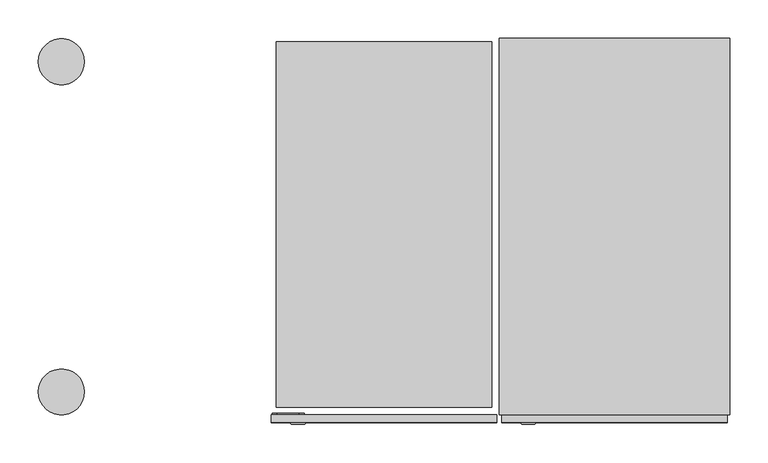
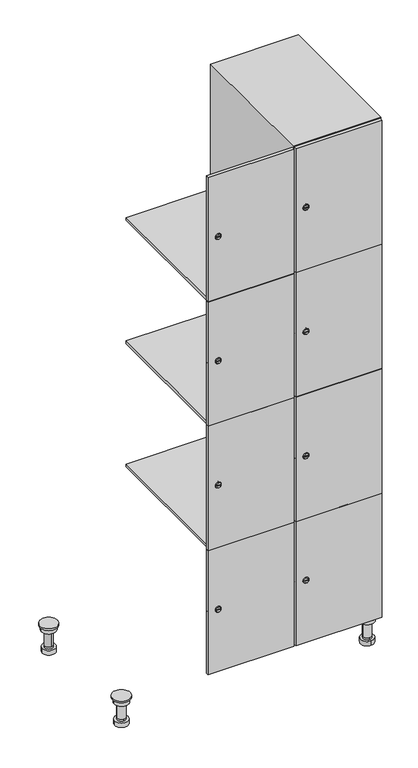
"""IFC4 building model written with IfcOpenShell, lengths in millimetres: furniture geometry."""

from ifc_helpers import new_model, si_unit, point, frame, frame_2d, origin, place, context, project, spatial, polyline, circle_curve, trimmed, segment, composite_curve, outline, extrude, faceted_brep, source, transform, mapped, element, save
from ifc_brep_helpers import plane_surface, cylinder_surface, revolved_surface, advanced_brep


def furniture_11c3b5e5(model_context):
    return source(origin(), model_context, "Body", "SolidModel", [
        advanced_brep(
        [(670.0, -201.0, 22.0), (670.0, -201.5, 16.0), (670.0, -228.5, 16.0), (670.0, -229.0, 22.0), (656.0, -215.0, 22.0), (684.0, -215.0, 22.0), (670.0, -192.5, 16.0), (670.0, -237.5, 16.0), (670.0, -192.5, 0.0), (670.0, -237.5, 0.0), (684.0, -215.0, 78.0), (656.0, -215.0, 78.0), (695.0, -215.0, 78.0), (645.0, -215.0, 78.0), (700.0, -215.0, 94.0), (640.0, -215.0, 94.0), (645.0, -215.0, 94.0), (695.0, -215.0, 94.0), (700.0, -215.0, 100.0), (640.0, -215.0, 100.0)],
        [
            (0, 1),
            (1, 2, circle_curve(frame((670.0, -215.0, 16.0), z_axis=(0.0, 0.0, 1.0), x_axis=(0.0, -1.0, 0.0)), 13.5)),
            (2, 3),
            (3, 4, circle_curve(frame((670.0, -215.0, 22.0), z_axis=(0.0, 0.0, -1.0), x_axis=(0.0, -1.0, 0.0)), 14.0)),
            (4, 0, circle_curve(frame((670.0, -215.0, 22.0), z_axis=(0.0, 0.0, -1.0), x_axis=(0.0, -1.0, 0.0)), 14.0)),
            (0, 5, circle_curve(frame((670.0, -215.0, 22.0), z_axis=(0.0, 0.0, -1.0), x_axis=(0.0, 1.0, 0.0)), 14.0)),
            (5, 3, circle_curve(frame((670.0, -215.0, 22.0), z_axis=(0.0, 0.0, -1.0), x_axis=(0.0, 1.0, 0.0)), 14.0)),
            (2, 1, circle_curve(frame((670.0, -215.0, 16.0), z_axis=(0.0, 0.0, 1.0), x_axis=(0.0, 1.0, 0.0)), 13.5)),
            (6, 7, circle_curve(frame((670.0, -215.0, 16.0), z_axis=(0.0, 0.0, 1.0), x_axis=(0.0, -1.0, 0.0)), 22.5)),
            (7, 6, circle_curve(frame((670.0, -215.0, 16.0), z_axis=(0.0, 0.0, 1.0), x_axis=(0.0, -1.0, 0.0)), 22.5)),
            (8, 9, circle_curve(frame((670.0, -215.0, 0.0), z_axis=(0.0, 0.0, -1.0), x_axis=(0.0, -1.0, 0.0)), 22.5)),
            (9, 8, circle_curve(frame((670.0, -215.0, 0.0), z_axis=(0.0, 0.0, -1.0), x_axis=(0.0, -1.0, 0.0)), 22.5)),
            (6, 8),
            (9, 7),
            (5, 10),
            (10, 11, circle_curve(frame((670.0, -215.0, 78.0), z_axis=(0.0, 0.0, -1.0), x_axis=(-1.0, 0.0, 0.0)), 14.0)),
            (11, 4),
            (11, 10, circle_curve(frame((670.0, -215.0, 78.0), z_axis=(0.0, 0.0, -1.0), x_axis=(-1.0, 0.0, 0.0)), 14.0)),
            (12, 13, circle_curve(frame((670.0, -215.0, 78.0), z_axis=(0.0, 0.0, -1.0), x_axis=(-1.0, 0.0, 0.0)), 25.0)),
            (13, 12, circle_curve(frame((670.0, -215.0, 78.0), z_axis=(0.0, 0.0, -1.0), x_axis=(-1.0, 0.0, 0.0)), 25.0)),
            (14, 15, circle_curve(frame((670.0, -215.0, 94.0), z_axis=(0.0, 0.0, -1.0), x_axis=(-1.0, 0.0, 0.0)), 30.0)),
            (15, 14, circle_curve(frame((670.0, -215.0, 94.0), z_axis=(0.0, 0.0, -1.0), x_axis=(-1.0, 0.0, 0.0)), 30.0)),
            (16, 17, circle_curve(frame((670.0, -215.0, 94.0), z_axis=(0.0, 0.0, 1.0), x_axis=(-1.0, 0.0, 0.0)), 25.0)),
            (17, 16, circle_curve(frame((670.0, -215.0, 94.0), z_axis=(0.0, 0.0, 1.0), x_axis=(-1.0, 0.0, 0.0)), 25.0)),
            (18, 19, circle_curve(frame((670.0, -215.0, 100.0), z_axis=(0.0, 0.0, 1.0), x_axis=(-1.0, 0.0, 0.0)), 30.0)),
            (19, 18, circle_curve(frame((670.0, -215.0, 100.0), z_axis=(0.0, 0.0, 1.0), x_axis=(-1.0, 0.0, 0.0)), 30.0)),
            (14, 18),
            (19, 15),
            (12, 17),
            (16, 13),
        ],
        [
            revolved_surface(polyline([(670.0, -201.5, 16.0), (670.0, -201.0, 22.0)]), (670.0, -215.0, -146.0), (0.0, 0.0, 1.0)),
            plane_surface(frame((670.0, 0.0, 16.0), z_axis=(0.0, 0.0, 1.0), x_axis=(0.0, -1.0, 0.0))),
            plane_surface(frame((670.0, 0.0, 0.0), z_axis=(0.0, 0.0, -1.0), x_axis=(0.0, -1.0, 0.0))),
            cylinder_surface(frame((670.0, -215.0, 16.0), z_axis=(0.0, 0.0, 1.0), x_axis=(0.0, -1.0, 0.0)), 22.5),
            cylinder_surface(frame((670.0, -215.0, 22.0), z_axis=(0.0, 0.0, -1.0), x_axis=(-1.0, 0.0, 0.0)), 14.0),
            plane_surface(frame((670.0, 0.0, 78.0), z_axis=(0.0, 0.0, -1.0), x_axis=(0.0, -1.0, 0.0))),
            plane_surface(frame((670.0, 0.0, 94.0), z_axis=(0.0, 0.0, -1.0), x_axis=(0.0, -1.0, 0.0))),
            plane_surface(frame((670.0, 0.0, 100.0), z_axis=(0.0, 0.0, 1.0), x_axis=(0.0, -1.0, 0.0))),
            cylinder_surface(frame((670.0, -215.0, 94.0), z_axis=(0.0, 0.0, -1.0), x_axis=(-1.0, 0.0, 0.0)), 30.0),
            cylinder_surface(frame((670.0, -215.0, 78.0), z_axis=(0.0, 0.0, -1.0), x_axis=(-1.0, 0.0, 0.0)), 25.0),
        ],
        [
            (0, [[1, 2, 3, 4, 5]]),
            (0, [[-1, 6, 7, -3, 8]]),
            (1, [[9, 10], [-2, -8]]),
            (2, [[11, 12]]),
            (3, [[-9, 13, -12, 14]]),
            (3, [[-10, -14, -11, -13]]),
            (4, [[15, 16, 17, -4, -7]]),
            (4, [[-15, -6, -5, -17, 18]]),
            (5, [[19, 20], [-16, -18]]),
            (6, [[21, 22], [23, 24]]),
            (7, [[25, 26]]),
            (8, [[-21, 27, -26, 28]]),
            (8, [[-22, -28, -25, -27]]),
            (9, [[-19, 29, -23, 30]]),
            (9, [[-20, -30, -24, -29]]),
        ],
    ),
        advanced_brep(
        [(-170.0, -201.0, 22.0), (-170.0, -201.5, 16.0), (-170.0, -228.5, 16.0), (-170.0, -229.0, 22.0), (-184.0, -215.0, 22.0), (-156.0, -215.0, 22.0), (-147.5, -215.0, 0.0), (-192.5, -215.0, 0.0), (-147.5, -215.0, 16.0), (-192.5, -215.0, 16.0), (-156.0, -215.0, 78.0), (-184.0, -215.0, 78.0), (-145.0, -215.0, 78.0), (-195.0, -215.0, 78.0), (-140.0, -215.0, 94.0), (-200.0, -215.0, 94.0), (-195.0, -215.0, 94.0), (-145.0, -215.0, 94.0), (-140.0, -215.0, 100.0), (-200.0, -215.0, 100.0)],
        [
            (0, 1),
            (1, 2, circle_curve(frame((-170.0, -215.0, 16.0), z_axis=(0.0, 0.0, 1.0), x_axis=(0.0, -1.0, 0.0)), 13.5)),
            (2, 3),
            (3, 4, circle_curve(frame((-170.0, -215.0, 22.0), z_axis=(0.0, 0.0, -1.0), x_axis=(0.0, -1.0, 0.0)), 14.0)),
            (4, 0, circle_curve(frame((-170.0, -215.0, 22.0), z_axis=(0.0, 0.0, -1.0), x_axis=(0.0, -1.0, 0.0)), 14.0)),
            (0, 5, circle_curve(frame((-170.0, -215.0, 22.0), z_axis=(0.0, 0.0, -1.0), x_axis=(0.0, 1.0, 0.0)), 14.0)),
            (5, 3, circle_curve(frame((-170.0, -215.0, 22.0), z_axis=(0.0, 0.0, -1.0), x_axis=(0.0, 1.0, 0.0)), 14.0)),
            (2, 1, circle_curve(frame((-170.0, -215.0, 16.0), z_axis=(0.0, 0.0, 1.0), x_axis=(0.0, 1.0, 0.0)), 13.5)),
            (6, 7, circle_curve(frame((-170.0, -215.0, 0.0), z_axis=(0.0, 0.0, -1.0), x_axis=(-1.0, 0.0, 0.0)), 22.5)),
            (7, 6, circle_curve(frame((-170.0, -215.0, 0.0), z_axis=(0.0, 0.0, -1.0), x_axis=(-1.0, 0.0, 0.0)), 22.5)),
            (8, 9, circle_curve(frame((-170.0, -215.0, 16.0), z_axis=(0.0, 0.0, 1.0), x_axis=(-1.0, 0.0, 0.0)), 22.5)),
            (9, 8, circle_curve(frame((-170.0, -215.0, 16.0), z_axis=(0.0, 0.0, 1.0), x_axis=(-1.0, 0.0, 0.0)), 22.5)),
            (6, 8),
            (9, 7),
            (5, 10),
            (10, 11, circle_curve(frame((-170.0, -215.0, 78.0), z_axis=(0.0, 0.0, -1.0), x_axis=(-1.0, 0.0, 0.0)), 14.0)),
            (11, 4),
            (11, 10, circle_curve(frame((-170.0, -215.0, 78.0), z_axis=(0.0, 0.0, -1.0), x_axis=(-1.0, 0.0, 0.0)), 14.0)),
            (12, 13, circle_curve(frame((-170.0, -215.0, 78.0), z_axis=(0.0, 0.0, -1.0), x_axis=(-1.0, 0.0, 0.0)), 25.0)),
            (13, 12, circle_curve(frame((-170.0, -215.0, 78.0), z_axis=(0.0, 0.0, -1.0), x_axis=(-1.0, 0.0, 0.0)), 25.0)),
            (14, 15, circle_curve(frame((-170.0, -215.0, 94.0), z_axis=(0.0, 0.0, -1.0), x_axis=(-1.0, 0.0, 0.0)), 30.0)),
            (15, 14, circle_curve(frame((-170.0, -215.0, 94.0), z_axis=(0.0, 0.0, -1.0), x_axis=(-1.0, 0.0, 0.0)), 30.0)),
            (16, 17, circle_curve(frame((-170.0, -215.0, 94.0), z_axis=(0.0, 0.0, 1.0), x_axis=(-1.0, 0.0, 0.0)), 25.0)),
            (17, 16, circle_curve(frame((-170.0, -215.0, 94.0), z_axis=(0.0, 0.0, 1.0), x_axis=(-1.0, 0.0, 0.0)), 25.0)),
            (18, 19, circle_curve(frame((-170.0, -215.0, 100.0), z_axis=(0.0, 0.0, 1.0), x_axis=(-1.0, 0.0, 0.0)), 30.0)),
            (19, 18, circle_curve(frame((-170.0, -215.0, 100.0), z_axis=(0.0, 0.0, 1.0), x_axis=(-1.0, 0.0, 0.0)), 30.0)),
            (14, 18),
            (19, 15),
            (12, 17),
            (16, 13),
        ],
        [
            revolved_surface(polyline([(-170.0, -201.5, 16.0), (-170.0, -201.0, 22.0)]), (-170.0, -215.0, -146.0), (0.0, 0.0, 1.0)),
            plane_surface(frame((-170.0, 0.0, 0.0), z_axis=(0.0, 0.0, -1.0), x_axis=(0.0, -1.0, 0.0))),
            plane_surface(frame((-170.0, 0.0, 16.0), z_axis=(0.0, 0.0, 1.0), x_axis=(0.0, -1.0, 0.0))),
            cylinder_surface(frame((-170.0, -215.0, 0.0), z_axis=(0.0, 0.0, -1.0), x_axis=(-1.0, 0.0, 0.0)), 22.5),
            cylinder_surface(frame((-170.0, -215.0, 22.0), z_axis=(0.0, 0.0, -1.0), x_axis=(-1.0, 0.0, 0.0)), 14.0),
            plane_surface(frame((-170.0, 0.0, 78.0), z_axis=(0.0, 0.0, -1.0), x_axis=(0.0, -1.0, 0.0))),
            plane_surface(frame((-170.0, 0.0, 94.0), z_axis=(0.0, 0.0, -1.0), x_axis=(0.0, -1.0, 0.0))),
            plane_surface(frame((-170.0, 0.0, 100.0), z_axis=(0.0, 0.0, 1.0), x_axis=(0.0, -1.0, 0.0))),
            cylinder_surface(frame((-170.0, -215.0, 94.0), z_axis=(0.0, 0.0, -1.0), x_axis=(-1.0, 0.0, 0.0)), 30.0),
            cylinder_surface(frame((-170.0, -215.0, 78.0), z_axis=(0.0, 0.0, -1.0), x_axis=(-1.0, 0.0, 0.0)), 25.0),
        ],
        [
            (0, [[1, 2, 3, 4, 5]]),
            (0, [[-1, 6, 7, -3, 8]]),
            (1, [[9, 10]]),
            (2, [[11, 12], [-2, -8]]),
            (3, [[-9, 13, -12, 14]]),
            (3, [[-10, -14, -11, -13]]),
            (4, [[15, 16, 17, -4, -7]]),
            (4, [[-15, -6, -5, -17, 18]]),
            (5, [[19, 20], [-16, -18]]),
            (6, [[21, 22], [23, 24]]),
            (7, [[25, 26]]),
            (8, [[-21, 27, -26, 28]]),
            (8, [[-22, -28, -25, -27]]),
            (9, [[-19, 29, -23, 30]]),
            (9, [[-20, -30, -24, -29]]),
        ],
    ),
        advanced_brep(
        [(683.5, 215.0, 16.0), (684.0, 215.0, 22.0), (656.0, 215.0, 22.0), (656.5, 215.0, 16.0), (692.5, 215.0, 0.0), (647.5, 215.0, 0.0), (692.5, 215.0, 16.0), (647.5, 215.0, 16.0), (684.0, 215.0, 78.0), (656.0, 215.0, 78.0), (695.0, 215.0, 78.0), (645.0, 215.0, 78.0), (700.0, 215.0, 94.0), (640.0, 215.0, 94.0), (645.0, 215.0, 94.0), (695.0, 215.0, 94.0), (700.0, 215.0, 100.0), (640.0, 215.0, 100.0)],
        [
            (0, 1),
            (1, 2, circle_curve(frame((670.0, 215.0, 22.0), z_axis=(0.0, 0.0, -1.0), x_axis=(-1.0, 0.0, 0.0)), 14.0)),
            (2, 3),
            (3, 0, circle_curve(frame((670.0, 215.0, 16.0), z_axis=(0.0, 0.0, 1.0), x_axis=(-1.0, 0.0, 0.0)), 13.5)),
            (0, 3, circle_curve(frame((670.0, 215.0, 16.0), z_axis=(0.0, 0.0, 1.0), x_axis=(1.0, 0.0, 0.0)), 13.5)),
            (2, 1, circle_curve(frame((670.0, 215.0, 22.0), z_axis=(0.0, 0.0, -1.0), x_axis=(1.0, 0.0, 0.0)), 14.0)),
            (4, 5, circle_curve(frame((670.0, 215.0, 0.0), z_axis=(0.0, 0.0, -1.0), x_axis=(-1.0, 0.0, 0.0)), 22.5)),
            (5, 4, circle_curve(frame((670.0, 215.0, 0.0), z_axis=(0.0, 0.0, -1.0), x_axis=(-1.0, 0.0, 0.0)), 22.5)),
            (6, 7, circle_curve(frame((670.0, 215.0, 16.0), z_axis=(0.0, 0.0, 1.0), x_axis=(-1.0, 0.0, 0.0)), 22.5)),
            (7, 6, circle_curve(frame((670.0, 215.0, 16.0), z_axis=(0.0, 0.0, 1.0), x_axis=(-1.0, 0.0, 0.0)), 22.5)),
            (4, 6),
            (7, 5),
            (1, 8),
            (8, 9, circle_curve(frame((670.0, 215.0, 78.0), z_axis=(0.0, 0.0, -1.0), x_axis=(-1.0, 0.0, 0.0)), 14.0)),
            (9, 2),
            (9, 8, circle_curve(frame((670.0, 215.0, 78.0), z_axis=(0.0, 0.0, -1.0), x_axis=(-1.0, 0.0, 0.0)), 14.0)),
            (10, 11, circle_curve(frame((670.0, 215.0, 78.0), z_axis=(0.0, 0.0, -1.0), x_axis=(-1.0, 0.0, 0.0)), 25.0)),
            (11, 10, circle_curve(frame((670.0, 215.0, 78.0), z_axis=(0.0, 0.0, -1.0), x_axis=(-1.0, 0.0, 0.0)), 25.0)),
            (12, 13, circle_curve(frame((670.0, 215.0, 94.0), z_axis=(0.0, 0.0, -1.0), x_axis=(-1.0, 0.0, 0.0)), 30.0)),
            (13, 12, circle_curve(frame((670.0, 215.0, 94.0), z_axis=(0.0, 0.0, -1.0), x_axis=(-1.0, 0.0, 0.0)), 30.0)),
            (14, 15, circle_curve(frame((670.0, 215.0, 94.0), z_axis=(0.0, 0.0, 1.0), x_axis=(-1.0, 0.0, 0.0)), 25.0)),
            (15, 14, circle_curve(frame((670.0, 215.0, 94.0), z_axis=(0.0, 0.0, 1.0), x_axis=(-1.0, 0.0, 0.0)), 25.0)),
            (16, 17, circle_curve(frame((670.0, 215.0, 100.0), z_axis=(0.0, 0.0, 1.0), x_axis=(-1.0, 0.0, 0.0)), 30.0)),
            (17, 16, circle_curve(frame((670.0, 215.0, 100.0), z_axis=(0.0, 0.0, 1.0), x_axis=(-1.0, 0.0, 0.0)), 30.0)),
            (12, 16),
            (17, 13),
            (10, 15),
            (14, 11),
        ],
        [
            revolved_surface(polyline([(683.5, 215.0, 16.0), (684.0, 215.0, 22.0)]), (670.0, 215.0, -146.0), (0.0, 0.0, 1.0)),
            plane_surface(frame((670.0, 0.0, 0.0), z_axis=(0.0, 0.0, -1.0), x_axis=(0.0, -1.0, 0.0))),
            plane_surface(frame((670.0, 0.0, 16.0), z_axis=(0.0, 0.0, 1.0), x_axis=(0.0, -1.0, 0.0))),
            cylinder_surface(frame((670.0, 215.0, 0.0), z_axis=(0.0, 0.0, -1.0), x_axis=(-1.0, 0.0, 0.0)), 22.5),
            cylinder_surface(frame((670.0, 215.0, 22.0), z_axis=(0.0, 0.0, -1.0), x_axis=(-1.0, 0.0, 0.0)), 14.0),
            plane_surface(frame((670.0, 0.0, 78.0), z_axis=(0.0, 0.0, -1.0), x_axis=(0.0, -1.0, 0.0))),
            plane_surface(frame((670.0, 0.0, 94.0), z_axis=(0.0, 0.0, -1.0), x_axis=(0.0, -1.0, 0.0))),
            plane_surface(frame((670.0, 0.0, 100.0), z_axis=(0.0, 0.0, 1.0), x_axis=(0.0, -1.0, 0.0))),
            cylinder_surface(frame((670.0, 215.0, 94.0), z_axis=(0.0, 0.0, -1.0), x_axis=(-1.0, 0.0, 0.0)), 30.0),
            cylinder_surface(frame((670.0, 215.0, 78.0), z_axis=(0.0, 0.0, -1.0), x_axis=(-1.0, 0.0, 0.0)), 25.0),
        ],
        [
            (0, [[1, 2, 3, 4]]),
            (0, [[-1, 5, -3, 6]]),
            (1, [[7, 8]]),
            (2, [[9, 10], [-4, -5]]),
            (3, [[-7, 11, -10, 12]]),
            (3, [[-8, -12, -9, -11]]),
            (4, [[13, 14, 15, -2]]),
            (4, [[-13, -6, -15, 16]]),
            (5, [[17, 18], [-14, -16]]),
            (6, [[19, 20], [21, 22]]),
            (7, [[23, 24]]),
            (8, [[-19, 25, -24, 26]]),
            (8, [[-20, -26, -23, -25]]),
            (9, [[-17, 27, -21, 28]]),
            (9, [[-18, -28, -22, -27]]),
        ],
    ),
        advanced_brep(
        [(-156.5, 215.0, 16.0), (-156.0, 215.0, 22.0), (-170.0, 201.0, 22.0), (-184.0, 215.0, 22.0), (-183.5, 215.0, 16.0), (-170.0, 229.0, 22.0), (-147.5, 215.0, 0.0), (-192.5, 215.0, 0.0), (-147.5, 215.0, 16.0), (-192.5, 215.0, 16.0), (-170.0, 229.0, 78.0), (-170.0, 201.0, 78.0), (-145.0, 215.0, 78.0), (-195.0, 215.0, 78.0), (-140.0, 215.0, 94.0), (-200.0, 215.0, 94.0), (-195.0, 215.0, 94.0), (-145.0, 215.0, 94.0), (-140.0, 215.0, 100.0), (-200.0, 215.0, 100.0)],
        [
            (0, 1),
            (1, 2, circle_curve(frame((-170.0, 215.0, 22.0), z_axis=(0.0, 0.0, -1.0), x_axis=(-1.0, 0.0, 0.0)), 14.0)),
            (2, 3, circle_curve(frame((-170.0, 215.0, 22.0), z_axis=(0.0, 0.0, -1.0), x_axis=(-1.0, 0.0, 0.0)), 14.0)),
            (3, 4),
            (4, 0, circle_curve(frame((-170.0, 215.0, 16.0), z_axis=(0.0, 0.0, 1.0), x_axis=(-1.0, 0.0, 0.0)), 13.5)),
            (0, 4, circle_curve(frame((-170.0, 215.0, 16.0), z_axis=(0.0, 0.0, 1.0), x_axis=(1.0, 0.0, 0.0)), 13.5)),
            (3, 5, circle_curve(frame((-170.0, 215.0, 22.0), z_axis=(0.0, 0.0, -1.0), x_axis=(1.0, 0.0, 0.0)), 14.0)),
            (5, 1, circle_curve(frame((-170.0, 215.0, 22.0), z_axis=(0.0, 0.0, -1.0), x_axis=(1.0, 0.0, 0.0)), 14.0)),
            (6, 7, circle_curve(frame((-170.0, 215.0, 0.0), z_axis=(0.0, 0.0, -1.0), x_axis=(-1.0, 0.0, 0.0)), 22.5)),
            (7, 6, circle_curve(frame((-170.0, 215.0, 0.0), z_axis=(0.0, 0.0, -1.0), x_axis=(-1.0, 0.0, 0.0)), 22.5)),
            (8, 9, circle_curve(frame((-170.0, 215.0, 16.0), z_axis=(0.0, 0.0, 1.0), x_axis=(-1.0, 0.0, 0.0)), 22.5)),
            (9, 8, circle_curve(frame((-170.0, 215.0, 16.0), z_axis=(0.0, 0.0, 1.0), x_axis=(-1.0, 0.0, 0.0)), 22.5)),
            (6, 8),
            (9, 7),
            (10, 5),
            (2, 11),
            (11, 10, circle_curve(frame((-170.0, 215.0, 78.0), z_axis=(0.0, 0.0, -1.0), x_axis=(0.0, -1.0, 0.0)), 14.0)),
            (10, 11, circle_curve(frame((-170.0, 215.0, 78.0), z_axis=(0.0, 0.0, -1.0), x_axis=(0.0, -1.0, 0.0)), 14.0)),
            (12, 13, circle_curve(frame((-170.0, 215.0, 78.0), z_axis=(0.0, 0.0, -1.0), x_axis=(-1.0, 0.0, 0.0)), 25.0)),
            (13, 12, circle_curve(frame((-170.0, 215.0, 78.0), z_axis=(0.0, 0.0, -1.0), x_axis=(-1.0, 0.0, 0.0)), 25.0)),
            (14, 15, circle_curve(frame((-170.0, 215.0, 94.0), z_axis=(0.0, 0.0, -1.0), x_axis=(-1.0, 0.0, 0.0)), 30.0)),
            (15, 14, circle_curve(frame((-170.0, 215.0, 94.0), z_axis=(0.0, 0.0, -1.0), x_axis=(-1.0, 0.0, 0.0)), 30.0)),
            (16, 17, circle_curve(frame((-170.0, 215.0, 94.0), z_axis=(0.0, 0.0, 1.0), x_axis=(-1.0, 0.0, 0.0)), 25.0)),
            (17, 16, circle_curve(frame((-170.0, 215.0, 94.0), z_axis=(0.0, 0.0, 1.0), x_axis=(-1.0, 0.0, 0.0)), 25.0)),
            (18, 19, circle_curve(frame((-170.0, 215.0, 100.0), z_axis=(0.0, 0.0, 1.0), x_axis=(-1.0, 0.0, 0.0)), 30.0)),
            (19, 18, circle_curve(frame((-170.0, 215.0, 100.0), z_axis=(0.0, 0.0, 1.0), x_axis=(-1.0, 0.0, 0.0)), 30.0)),
            (14, 18),
            (19, 15),
            (12, 17),
            (16, 13),
        ],
        [
            revolved_surface(polyline([(-156.5, 215.0, 16.0), (-156.0, 215.0, 22.0)]), (-170.0, 215.0, -146.0), (0.0, 0.0, 1.0)),
            plane_surface(frame((-170.0, 0.0, 0.0), z_axis=(0.0, 0.0, -1.0), x_axis=(0.0, -1.0, 0.0))),
            plane_surface(frame((-170.0, 0.0, 16.0), z_axis=(0.0, 0.0, 1.0), x_axis=(0.0, -1.0, 0.0))),
            cylinder_surface(frame((-170.0, 215.0, 0.0), z_axis=(0.0, 0.0, -1.0), x_axis=(-1.0, 0.0, 0.0)), 22.5),
            cylinder_surface(frame((-170.0, 215.0, 78.0), z_axis=(0.0, 0.0, 1.0), x_axis=(0.0, -1.0, 0.0)), 14.0),
            plane_surface(frame((-170.0, 0.0, 78.0), z_axis=(0.0, 0.0, -1.0), x_axis=(0.0, -1.0, 0.0))),
            plane_surface(frame((-170.0, 0.0, 94.0), z_axis=(0.0, 0.0, -1.0), x_axis=(0.0, -1.0, 0.0))),
            plane_surface(frame((-170.0, 0.0, 100.0), z_axis=(0.0, 0.0, 1.0), x_axis=(0.0, -1.0, 0.0))),
            cylinder_surface(frame((-170.0, 215.0, 94.0), z_axis=(0.0, 0.0, -1.0), x_axis=(-1.0, 0.0, 0.0)), 30.0),
            cylinder_surface(frame((-170.0, 215.0, 78.0), z_axis=(0.0, 0.0, -1.0), x_axis=(-1.0, 0.0, 0.0)), 25.0),
        ],
        [
            (0, [[1, 2, 3, 4, 5]]),
            (0, [[-1, 6, -4, 7, 8]]),
            (1, [[9, 10]]),
            (2, [[11, 12], [-5, -6]]),
            (3, [[-9, 13, -12, 14]]),
            (3, [[-10, -14, -11, -13]]),
            (4, [[15, -7, -3, 16, 17]]),
            (4, [[-15, 18, -16, -2, -8]]),
            (5, [[19, 20], [-17, -18]]),
            (6, [[21, 22], [23, 24]]),
            (7, [[25, 26]]),
            (8, [[-21, 27, -26, 28]]),
            (8, [[-22, -28, -25, -27]]),
            (9, [[-19, 29, -23, 30]]),
            (9, [[-20, -30, -24, -29]]),
        ],
    ),
        extrude(outline(composite_curve([segment(trimmed(circle_curve(frame_2d((327.25, 411.2010534)), 7.0), [point((334.25, 411.2010534))], [point((320.25, 411.2010534))], False, "CARTESIAN"), True, "CONTINUOUS"), segment(polyline([(320.25, 411.2010534), (320.25, 439.2010534)]), True, "CONTINUOUS"), segment(trimmed(circle_curve(frame_2d((327.25, 439.2010534)), 7.0), [point((320.25, 439.2010534))], [point((334.25, 439.2010534))], False, "CARTESIAN"), True, "CONTINUOUS"), segment(polyline([(334.25, 439.2010534), (334.25, 411.2010534)]), True, "CONTINUOUS")], self_intersect=False)), frame((0.0, -245.0, 0.0), z_axis=(0.0, 1.0, 0.0), x_axis=(0.0, 0.0, 1.0)), (0.0, 0.0, 1.0), 2.0),
        advanced_brep(
        [(446.5, -257.2, 327.25), (429.5, -257.2, 327.25), (433.0, -257.2, 326.0), (433.0, -257.2, 328.5), (443.0, -257.2, 328.5), (443.0, -257.2, 326.0), (448.5, -255.0, 327.25), (427.5, -255.0, 327.25), (433.0, -255.0, 328.5), (433.0, -255.0, 326.0), (443.0, -255.0, 326.0), (443.0, -255.0, 328.5)],
        [
            (0, 1, circle_curve(frame((438.0, -257.2, 327.25), z_axis=(0.0, -1.0, 0.0), x_axis=(1.0, 0.0, 0.0)), 8.5)),
            (1, 0, circle_curve(frame((438.0, -257.2, 327.25), z_axis=(0.0, -1.0, 0.0), x_axis=(-1.0, 0.0, 0.0)), 8.5)),
            (2, 3),
            (3, 4),
            (4, 5),
            (5, 2),
            (6, 7, circle_curve(frame((438.0, -255.0, 327.25), z_axis=(0.0, 1.0, 0.0), x_axis=(-1.0, 0.0, 0.0)), 10.5)),
            (7, 6, circle_curve(frame((438.0, -255.0, 327.25), z_axis=(0.0, 1.0, 0.0), x_axis=(1.0, 0.0, 0.0)), 10.5)),
            (8, 9),
            (9, 10),
            (10, 11),
            (11, 8),
            (0, 6),
            (7, 1),
            (8, 3),
            (2, 9),
            (11, 4),
            (10, 5),
        ],
        [
            plane_surface(frame((438.0, -257.2, 327.25), z_axis=(0.0, -1.0, 0.0), x_axis=(0.0, 0.0, 1.0))),
            plane_surface(frame((438.0, -255.0, 327.25), z_axis=(0.0, 1.0, 0.0), x_axis=(0.0, 0.0, 1.0))),
            revolved_surface(polyline([(446.5, -257.2, 327.25), (448.5, -255.0, 327.25)]), (438.0, -266.55, 327.25), (0.0, 1.0, 0.0)),
            revolved_surface(polyline([(429.5, -257.2, 327.25), (427.5, -255.0, 327.25)]), (438.0, -266.55, 327.25), (0.0, 1.0, 0.0)),
            plane_surface(frame((433.0, -255.0, 326.0), z_axis=(1.0, 0.0, 0.0), x_axis=(0.0, -1.0, 0.0))),
            plane_surface(frame((433.0, -255.0, 328.5), z_axis=(0.0, 0.0, -1.0), x_axis=(0.0, -1.0, 0.0))),
            plane_surface(frame((443.0, -255.0, 328.5), z_axis=(-1.0, 0.0, 0.0), x_axis=(0.0, -1.0, 0.0))),
            plane_surface(frame((443.0, -255.0, 326.0), z_axis=(0.0, 0.0, 1.0), x_axis=(0.0, -1.0, 0.0))),
        ],
        [
            (0, [[1, 2], [3, 4, 5, 6]]),
            (1, [[7, 8], [9, 10, 11, 12]]),
            (2, [[-1, 13, -8, 14]]),
            (3, [[-2, -14, -7, -13]]),
            (4, [[15, -3, 16, -9]]),
            (5, [[-15, -12, 17, -4]]),
            (6, [[-17, -11, 18, -5]]),
            (7, [[-16, -6, -18, -10]]),
        ],
    ),
        extrude(outline(composite_curve([segment(trimmed(circle_curve(frame_2d((775.75, 411.2010534)), 7.0), [point((782.75, 411.2010534))], [point((768.75, 411.2010534))], False, "CARTESIAN"), True, "CONTINUOUS"), segment(polyline([(768.75, 411.2010534), (768.75, 439.2010534)]), True, "CONTINUOUS"), segment(trimmed(circle_curve(frame_2d((775.75, 439.2010534)), 7.0), [point((768.75, 439.2010534))], [point((782.75, 439.2010534))], False, "CARTESIAN"), True, "CONTINUOUS"), segment(polyline([(782.75, 439.2010534), (782.75, 411.2010534)]), True, "CONTINUOUS")], self_intersect=False)), frame((0.0, -245.0, 0.0), z_axis=(0.0, 1.0, 0.0), x_axis=(0.0, 0.0, 1.0)), (0.0, 0.0, 1.0), 2.0),
        advanced_brep(
        [(446.5, -257.2, 775.75), (429.5, -257.2, 775.75), (433.0, -257.2, 774.5), (433.0, -257.2, 777.0), (443.0, -257.2, 777.0), (443.0, -257.2, 774.5), (448.5, -255.0, 775.75), (427.5, -255.0, 775.75), (433.0, -255.0, 777.0), (433.0, -255.0, 774.5), (443.0, -255.0, 774.5), (443.0, -255.0, 777.0)],
        [
            (0, 1, circle_curve(frame((438.0, -257.2, 775.75), z_axis=(0.0, -1.0, 0.0), x_axis=(1.0, 0.0, 0.0)), 8.5)),
            (1, 0, circle_curve(frame((438.0, -257.2, 775.75), z_axis=(0.0, -1.0, 0.0), x_axis=(-1.0, 0.0, 0.0)), 8.5)),
            (2, 3),
            (3, 4),
            (4, 5),
            (5, 2),
            (6, 7, circle_curve(frame((438.0, -255.0, 775.75), z_axis=(0.0, 1.0, 0.0), x_axis=(-1.0, 0.0, 0.0)), 10.5)),
            (7, 6, circle_curve(frame((438.0, -255.0, 775.75), z_axis=(0.0, 1.0, 0.0), x_axis=(1.0, 0.0, 0.0)), 10.5)),
            (8, 9),
            (9, 10),
            (10, 11),
            (11, 8),
            (0, 6),
            (7, 1),
            (8, 3),
            (2, 9),
            (11, 4),
            (10, 5),
        ],
        [
            plane_surface(frame((438.0, -257.2, 775.75), z_axis=(0.0, -1.0, 0.0), x_axis=(0.0, 0.0, 1.0))),
            plane_surface(frame((438.0, -255.0, 775.75), z_axis=(0.0, 1.0, 0.0), x_axis=(0.0, 0.0, 1.0))),
            revolved_surface(polyline([(446.5, -257.2, 775.75), (448.5, -255.0, 775.75)]), (438.0, -266.55, 775.75), (0.0, 1.0, 0.0)),
            revolved_surface(polyline([(429.5, -257.2, 775.75), (427.5, -255.0, 775.75)]), (438.0, -266.55, 775.75), (0.0, 1.0, 0.0)),
            plane_surface(frame((433.0, -255.0, 774.5), z_axis=(1.0, 0.0, 0.0), x_axis=(0.0, -1.0, 0.0))),
            plane_surface(frame((433.0, -255.0, 777.0), z_axis=(0.0, 0.0, -1.0), x_axis=(0.0, -1.0, 0.0))),
            plane_surface(frame((443.0, -255.0, 777.0), z_axis=(-1.0, 0.0, 0.0), x_axis=(0.0, -1.0, 0.0))),
            plane_surface(frame((443.0, -255.0, 774.5), z_axis=(0.0, 0.0, 1.0), x_axis=(0.0, -1.0, 0.0))),
        ],
        [
            (0, [[1, 2], [3, 4, 5, 6]]),
            (1, [[7, 8], [9, 10, 11, 12]]),
            (2, [[-1, 13, -8, 14]]),
            (3, [[-2, -14, -7, -13]]),
            (4, [[15, -3, 16, -9]]),
            (5, [[-15, -12, 17, -4]]),
            (6, [[-17, -11, 18, -5]]),
            (7, [[-16, -6, -18, -10]]),
        ],
    ),
        extrude(outline(composite_curve([segment(trimmed(circle_curve(frame_2d((1224.25, 411.2010534)), 7.0), [point((1231.25, 411.2010534))], [point((1217.25, 411.2010534))], False, "CARTESIAN"), True, "CONTINUOUS"), segment(polyline([(1217.25, 411.2010534), (1217.25, 439.2010534)]), True, "CONTINUOUS"), segment(trimmed(circle_curve(frame_2d((1224.25, 439.2010534)), 7.0), [point((1217.25, 439.2010534))], [point((1231.25, 439.2010534))], False, "CARTESIAN"), True, "CONTINUOUS"), segment(polyline([(1231.25, 439.2010534), (1231.25, 411.2010534)]), True, "CONTINUOUS")], self_intersect=False)), frame((0.0, -245.0, 0.0), z_axis=(0.0, 1.0, 0.0), x_axis=(0.0, 0.0, 1.0)), (0.0, 0.0, 1.0), 2.0),
        advanced_brep(
        [(446.5, -257.2, 1224.25), (429.5, -257.2, 1224.25), (433.0, -257.2, 1223.0), (433.0, -257.2, 1225.5), (443.0, -257.2, 1225.5), (443.0, -257.2, 1223.0), (448.5, -255.0, 1224.25), (427.5, -255.0, 1224.25), (433.0, -255.0, 1225.5), (433.0, -255.0, 1223.0), (443.0, -255.0, 1223.0), (443.0, -255.0, 1225.5)],
        [
            (0, 1, circle_curve(frame((438.0, -257.2, 1224.25), z_axis=(0.0, -1.0, 0.0), x_axis=(1.0, 0.0, 0.0)), 8.5)),
            (1, 0, circle_curve(frame((438.0, -257.2, 1224.25), z_axis=(0.0, -1.0, 0.0), x_axis=(-1.0, 0.0, 0.0)), 8.5)),
            (2, 3),
            (3, 4),
            (4, 5),
            (5, 2),
            (6, 7, circle_curve(frame((438.0, -255.0, 1224.25), z_axis=(0.0, 1.0, 0.0), x_axis=(-1.0, 0.0, 0.0)), 10.5)),
            (7, 6, circle_curve(frame((438.0, -255.0, 1224.25), z_axis=(0.0, 1.0, 0.0), x_axis=(1.0, 0.0, 0.0)), 10.5)),
            (8, 9),
            (9, 10),
            (10, 11),
            (11, 8),
            (0, 6),
            (7, 1),
            (8, 3),
            (2, 9),
            (11, 4),
            (10, 5),
        ],
        [
            plane_surface(frame((438.0, -257.2, 1224.25), z_axis=(0.0, -1.0, 0.0), x_axis=(0.0, 0.0, 1.0))),
            plane_surface(frame((438.0, -255.0, 1224.25), z_axis=(0.0, 1.0, 0.0), x_axis=(0.0, 0.0, 1.0))),
            revolved_surface(polyline([(446.5, -257.2, 1224.25), (448.5, -255.0, 1224.25)]), (438.0, -266.55, 1224.25), (0.0, 1.0, 0.0)),
            revolved_surface(polyline([(429.5, -257.2, 1224.25), (427.5, -255.0, 1224.25)]), (438.0, -266.55, 1224.25), (0.0, 1.0, 0.0)),
            plane_surface(frame((433.0, -255.0, 1223.0), z_axis=(1.0, 0.0, 0.0), x_axis=(0.0, -1.0, 0.0))),
            plane_surface(frame((433.0, -255.0, 1225.5), z_axis=(0.0, 0.0, -1.0), x_axis=(0.0, -1.0, 0.0))),
            plane_surface(frame((443.0, -255.0, 1225.5), z_axis=(-1.0, 0.0, 0.0), x_axis=(0.0, -1.0, 0.0))),
            plane_surface(frame((443.0, -255.0, 1223.0), z_axis=(0.0, 0.0, 1.0), x_axis=(0.0, -1.0, 0.0))),
        ],
        [
            (0, [[1, 2], [3, 4, 5, 6]]),
            (1, [[7, 8], [9, 10, 11, 12]]),
            (2, [[-1, 13, -8, 14]]),
            (3, [[-2, -14, -7, -13]]),
            (4, [[15, -3, 16, -9]]),
            (5, [[-15, -12, 17, -4]]),
            (6, [[-17, -11, 18, -5]]),
            (7, [[-16, -6, -18, -10]]),
        ],
    ),
        extrude(outline(composite_curve([segment(trimmed(circle_curve(frame_2d((1672.75, 411.2010534)), 7.0), [point((1679.75, 411.2010534))], [point((1665.75, 411.2010534))], False, "CARTESIAN"), True, "CONTINUOUS"), segment(polyline([(1665.75, 411.2010534), (1665.75, 439.2010534)]), True, "CONTINUOUS"), segment(trimmed(circle_curve(frame_2d((1672.75, 439.2010534)), 7.0), [point((1665.75, 439.2010534))], [point((1679.75, 439.2010534))], False, "CARTESIAN"), True, "CONTINUOUS"), segment(polyline([(1679.75, 439.2010534), (1679.75, 411.2010534)]), True, "CONTINUOUS")], self_intersect=False)), frame((0.0, -245.0, 0.0), z_axis=(0.0, 1.0, 0.0), x_axis=(0.0, 0.0, 1.0)), (0.0, 0.0, 1.0), 2.0),
        advanced_brep(
        [(446.5, -257.2, 1672.75), (429.5, -257.2, 1672.75), (433.0, -257.2, 1671.5), (433.0, -257.2, 1674.0), (443.0, -257.2, 1674.0), (443.0, -257.2, 1671.5), (448.5, -255.0, 1672.75), (427.5, -255.0, 1672.75), (433.0, -255.0, 1674.0), (433.0, -255.0, 1671.5), (443.0, -255.0, 1671.5), (443.0, -255.0, 1674.0)],
        [
            (0, 1, circle_curve(frame((438.0, -257.2, 1672.75), z_axis=(0.0, -1.0, 0.0), x_axis=(1.0, 0.0, 0.0)), 8.5)),
            (1, 0, circle_curve(frame((438.0, -257.2, 1672.75), z_axis=(0.0, -1.0, 0.0), x_axis=(-1.0, 0.0, 0.0)), 8.5)),
            (2, 3),
            (3, 4),
            (4, 5),
            (5, 2),
            (6, 7, circle_curve(frame((438.0, -255.0, 1672.75), z_axis=(0.0, 1.0, 0.0), x_axis=(-1.0, 0.0, 0.0)), 10.5)),
            (7, 6, circle_curve(frame((438.0, -255.0, 1672.75), z_axis=(0.0, 1.0, 0.0), x_axis=(1.0, 0.0, 0.0)), 10.5)),
            (8, 9),
            (9, 10),
            (10, 11),
            (11, 8),
            (0, 6),
            (7, 1),
            (8, 3),
            (2, 9),
            (11, 4),
            (10, 5),
        ],
        [
            plane_surface(frame((438.0, -257.2, 1672.75), z_axis=(0.0, -1.0, 0.0), x_axis=(0.0, 0.0, 1.0))),
            plane_surface(frame((438.0, -255.0, 1672.75), z_axis=(0.0, 1.0, 0.0), x_axis=(0.0, 0.0, 1.0))),
            revolved_surface(polyline([(446.5, -257.2, 1672.75), (448.5, -255.0, 1672.75)]), (438.0, -266.55, 1672.75), (0.0, 1.0, 0.0)),
            revolved_surface(polyline([(429.5, -257.2, 1672.75), (427.5, -255.0, 1672.75)]), (438.0, -266.55, 1672.75), (0.0, 1.0, 0.0)),
            plane_surface(frame((433.0, -255.0, 1671.5), z_axis=(1.0, 0.0, 0.0), x_axis=(0.0, -1.0, 0.0))),
            plane_surface(frame((433.0, -255.0, 1674.0), z_axis=(0.0, 0.0, -1.0), x_axis=(0.0, -1.0, 0.0))),
            plane_surface(frame((443.0, -255.0, 1674.0), z_axis=(-1.0, 0.0, 0.0), x_axis=(0.0, -1.0, 0.0))),
            plane_surface(frame((443.0, -255.0, 1671.5), z_axis=(0.0, 0.0, 1.0), x_axis=(0.0, -1.0, 0.0))),
        ],
        [
            (0, [[1, 2], [3, 4, 5, 6]]),
            (1, [[7, 8], [9, 10, 11, 12]]),
            (2, [[-1, 13, -8, 14]]),
            (3, [[-2, -14, -7, -13]]),
            (4, [[15, -3, 16, -9]]),
            (5, [[-15, -12, 17, -4]]),
            (6, [[-17, -11, 18, -5]]),
            (7, [[-16, -6, -18, -10]]),
        ],
    ),
        extrude(outline(polyline([(697.0, -245.0), (697.0, -255.0), (403.0, -255.0), (403.0, -245.0), (697.0, -245.0)])), frame((0.0, 0.0, 551.0), z_axis=(0.0, 0.0, 1.0), x_axis=(1.0, 0.0, 0.0)), (0.0, 0.0, 1.0), 448.5),
        extrude(outline(polyline([(697.0, -245.0), (697.0, -255.0), (403.0, -255.0), (403.0, -245.0), (697.0, -245.0)])), frame((0.0, 0.0, 1000.5), z_axis=(0.0, 0.0, 1.0), x_axis=(1.0, 0.0, 0.0)), (0.0, 0.0, 1.0), 447.5),
        extrude(outline(polyline([(403.0, -255.0), (403.0, -245.0), (697.0, -245.0), (697.0, -255.0), (403.0, -255.0)])), frame((0.0, 0.0, 1449.0), z_axis=(0.0, 0.0, 1.0), x_axis=(1.0, 0.0, 0.0)), (0.0, 0.0, 1.0), 448.0),
        extrude(outline(polyline([(697.0, -245.0), (697.0, -255.0), (403.0, -255.0), (403.0, -245.0), (697.0, -245.0)])), frame((0.0, 0.0, 103.0), z_axis=(0.0, 0.0, 1.0), x_axis=(1.0, 0.0, 0.0)), (0.0, 0.0, 1.0), 449.0),
        extrude(outline(polyline([(690.0, 241.0), (690.0, -235.0), (410.0, -235.0), (410.0, 241.0), (690.0, 241.0)])), frame((0.0, 0.0, 1440.0), z_axis=(0.0, 0.0, 1.0), x_axis=(1.0, 0.0, 0.0)), (0.0, 0.0, 1.0), 10.0),
        extrude(outline(polyline([(690.0, 241.0), (690.0, -235.0), (410.0, -235.0), (410.0, 241.0), (690.0, 241.0)])), frame((0.0, 0.0, 995.0), z_axis=(0.0, 0.0, 1.0), x_axis=(1.0, 0.0, 0.0)), (0.0, 0.0, 1.0), 10.0),
        extrude(outline(polyline([(690.0, 241.0), (690.0, -235.0), (410.0, -235.0), (410.0, 241.0), (690.0, 241.0)])), frame((0.0, 0.0, 550.0), z_axis=(0.0, 0.0, 1.0), x_axis=(1.0, 0.0, 0.0)), (0.0, 0.0, 1.0), 10.0),
        faceted_brep([(700.0, -245.0, 100.0), (700.0, -245.0, 1900.0), (400.0, -245.0, 1900.0), (400.0, -245.0, 100.0), (690.0, -245.0, 1890.0), (690.0, -245.0, 110.0), (410.0, -245.0, 110.0), (410.0, -245.0, 1890.0), (700.0, 245.0, 100.0), (400.0, 245.0, 100.0), (700.0, 245.0, 1900.0), (400.0, 245.0, 1900.0), (690.0, 241.0, 1890.0), (690.0, 241.0, 110.0), (400.0, 245.0, 1890.0), (410.0, 241.0, 1890.0), (410.0, 241.0, 110.0)], [[[0, 1, 2, 3], [4, 5, 6, 7]], [[8, 0, 3, 9]], [[1, 0, 8, 10]], [[1, 10, 11, 2]], [[4, 12, 13, 5]], [[9, 3, 2, 11, 14]], [[10, 8, 9, 14, 11]], [[12, 15, 16, 13]], [[15, 7, 6, 16]], [[4, 7, 15, 12]], [[6, 5, 13, 16]]]),
        extrude(outline(composite_curve([segment(trimmed(circle_curve(frame_2d((327.25, 111.2010534)), 7.0), [point((334.25, 111.2010534))], [point((320.25, 111.2010534))], False, "CARTESIAN"), True, "CONTINUOUS"), segment(polyline([(320.25, 111.2010534), (320.25, 139.2010534)]), True, "CONTINUOUS"), segment(trimmed(circle_curve(frame_2d((327.25, 139.2010534)), 7.0), [point((320.25, 139.2010534))], [point((334.25, 139.2010534))], False, "CARTESIAN"), True, "CONTINUOUS"), segment(polyline([(334.25, 139.2010534), (334.25, 111.2010534)]), True, "CONTINUOUS")], self_intersect=False)), frame((0.0, -245.0, 0.0), z_axis=(0.0, 1.0, 0.0), x_axis=(0.0, 0.0, 1.0)), (0.0, 0.0, 1.0), 2.0),
        advanced_brep(
        [(146.5, -257.2, 327.25), (129.5, -257.2, 327.25), (133.0, -257.2, 326.0), (133.0, -257.2, 328.5), (143.0, -257.2, 328.5), (143.0, -257.2, 326.0), (148.5, -255.0, 327.25), (127.5, -255.0, 327.25), (133.0, -255.0, 328.5), (133.0, -255.0, 326.0), (143.0, -255.0, 326.0), (143.0, -255.0, 328.5)],
        [
            (0, 1, circle_curve(frame((138.0, -257.2, 327.25), z_axis=(0.0, -1.0, 0.0), x_axis=(1.0, 0.0, 0.0)), 8.5)),
            (1, 0, circle_curve(frame((138.0, -257.2, 327.25), z_axis=(0.0, -1.0, 0.0), x_axis=(-1.0, 0.0, 0.0)), 8.5)),
            (2, 3),
            (3, 4),
            (4, 5),
            (5, 2),
            (6, 7, circle_curve(frame((138.0, -255.0, 327.25), z_axis=(0.0, 1.0, 0.0), x_axis=(-1.0, 0.0, 0.0)), 10.5)),
            (7, 6, circle_curve(frame((138.0, -255.0, 327.25), z_axis=(0.0, 1.0, 0.0), x_axis=(1.0, 0.0, 0.0)), 10.5)),
            (8, 9),
            (9, 10),
            (10, 11),
            (11, 8),
            (0, 6),
            (7, 1),
            (8, 3),
            (2, 9),
            (11, 4),
            (10, 5),
        ],
        [
            plane_surface(frame((138.0, -257.2, 327.25), z_axis=(0.0, -1.0, 0.0), x_axis=(0.0, 0.0, 1.0))),
            plane_surface(frame((138.0, -255.0, 327.25), z_axis=(0.0, 1.0, 0.0), x_axis=(0.0, 0.0, 1.0))),
            revolved_surface(polyline([(146.5, -257.2, 327.25), (148.5, -255.0, 327.25)]), (138.0, -266.55, 327.25), (0.0, 1.0, 0.0)),
            revolved_surface(polyline([(129.5, -257.2, 327.25), (127.5, -255.0, 327.25)]), (138.0, -266.55, 327.25), (0.0, 1.0, 0.0)),
            plane_surface(frame((133.0, -255.0, 326.0), z_axis=(1.0, 0.0, 0.0), x_axis=(0.0, -1.0, 0.0))),
            plane_surface(frame((133.0, -255.0, 328.5), z_axis=(0.0, 0.0, -1.0), x_axis=(0.0, -1.0, 0.0))),
            plane_surface(frame((143.0, -255.0, 328.5), z_axis=(-1.0, 0.0, 0.0), x_axis=(0.0, -1.0, 0.0))),
            plane_surface(frame((143.0, -255.0, 326.0), z_axis=(0.0, 0.0, 1.0), x_axis=(0.0, -1.0, 0.0))),
        ],
        [
            (0, [[1, 2], [3, 4, 5, 6]]),
            (1, [[7, 8], [9, 10, 11, 12]]),
            (2, [[-1, 13, -8, 14]]),
            (3, [[-2, -14, -7, -13]]),
            (4, [[15, -3, 16, -9]]),
            (5, [[-15, -12, 17, -4]]),
            (6, [[-17, -11, 18, -5]]),
            (7, [[-16, -6, -18, -10]]),
        ],
    ),
        extrude(outline(composite_curve([segment(trimmed(circle_curve(frame_2d((775.75, 111.2010534)), 7.0), [point((782.75, 111.2010534))], [point((768.75, 111.2010534))], False, "CARTESIAN"), True, "CONTINUOUS"), segment(polyline([(768.75, 111.2010534), (768.75, 139.2010534)]), True, "CONTINUOUS"), segment(trimmed(circle_curve(frame_2d((775.75, 139.2010534)), 7.0), [point((768.75, 139.2010534))], [point((782.75, 139.2010534))], False, "CARTESIAN"), True, "CONTINUOUS"), segment(polyline([(782.75, 139.2010534), (782.75, 111.2010534)]), True, "CONTINUOUS")], self_intersect=False)), frame((0.0, -245.0, 0.0), z_axis=(0.0, 1.0, 0.0), x_axis=(0.0, 0.0, 1.0)), (0.0, 0.0, 1.0), 2.0),
        advanced_brep(
        [(146.5, -257.2, 775.75), (129.5, -257.2, 775.75), (133.0, -257.2, 774.5), (133.0, -257.2, 777.0), (143.0, -257.2, 777.0), (143.0, -257.2, 774.5), (148.5, -255.0, 775.75), (127.5, -255.0, 775.75), (133.0, -255.0, 777.0), (133.0, -255.0, 774.5), (143.0, -255.0, 774.5), (143.0, -255.0, 777.0)],
        [
            (0, 1, circle_curve(frame((138.0, -257.2, 775.75), z_axis=(0.0, -1.0, 0.0), x_axis=(1.0, 0.0, 0.0)), 8.5)),
            (1, 0, circle_curve(frame((138.0, -257.2, 775.75), z_axis=(0.0, -1.0, 0.0), x_axis=(-1.0, 0.0, 0.0)), 8.5)),
            (2, 3),
            (3, 4),
            (4, 5),
            (5, 2),
            (6, 7, circle_curve(frame((138.0, -255.0, 775.75), z_axis=(0.0, 1.0, 0.0), x_axis=(-1.0, 0.0, 0.0)), 10.5)),
            (7, 6, circle_curve(frame((138.0, -255.0, 775.75), z_axis=(0.0, 1.0, 0.0), x_axis=(1.0, 0.0, 0.0)), 10.5)),
            (8, 9),
            (9, 10),
            (10, 11),
            (11, 8),
            (0, 6),
            (7, 1),
            (8, 3),
            (2, 9),
            (11, 4),
            (10, 5),
        ],
        [
            plane_surface(frame((138.0, -257.2, 775.75), z_axis=(0.0, -1.0, 0.0), x_axis=(0.0, 0.0, 1.0))),
            plane_surface(frame((138.0, -255.0, 775.75), z_axis=(0.0, 1.0, 0.0), x_axis=(0.0, 0.0, 1.0))),
            revolved_surface(polyline([(146.5, -257.2, 775.75), (148.5, -255.0, 775.75)]), (138.0, -266.55, 775.75), (0.0, 1.0, 0.0)),
            revolved_surface(polyline([(129.5, -257.2, 775.75), (127.5, -255.0, 775.75)]), (138.0, -266.55, 775.75), (0.0, 1.0, 0.0)),
            plane_surface(frame((133.0, -255.0, 774.5), z_axis=(1.0, 0.0, 0.0), x_axis=(0.0, -1.0, 0.0))),
            plane_surface(frame((133.0, -255.0, 777.0), z_axis=(0.0, 0.0, -1.0), x_axis=(0.0, -1.0, 0.0))),
            plane_surface(frame((143.0, -255.0, 777.0), z_axis=(-1.0, 0.0, 0.0), x_axis=(0.0, -1.0, 0.0))),
            plane_surface(frame((143.0, -255.0, 774.5), z_axis=(0.0, 0.0, 1.0), x_axis=(0.0, -1.0, 0.0))),
        ],
        [
            (0, [[1, 2], [3, 4, 5, 6]]),
            (1, [[7, 8], [9, 10, 11, 12]]),
            (2, [[-1, 13, -8, 14]]),
            (3, [[-2, -14, -7, -13]]),
            (4, [[15, -3, 16, -9]]),
            (5, [[-15, -12, 17, -4]]),
            (6, [[-17, -11, 18, -5]]),
            (7, [[-16, -6, -18, -10]]),
        ],
    ),
        extrude(outline(composite_curve([segment(trimmed(circle_curve(frame_2d((1224.25, 111.2010534)), 7.0), [point((1231.25, 111.2010534))], [point((1217.25, 111.2010534))], False, "CARTESIAN"), True, "CONTINUOUS"), segment(polyline([(1217.25, 111.2010534), (1217.25, 139.2010534)]), True, "CONTINUOUS"), segment(trimmed(circle_curve(frame_2d((1224.25, 139.2010534)), 7.0), [point((1217.25, 139.2010534))], [point((1231.25, 139.2010534))], False, "CARTESIAN"), True, "CONTINUOUS"), segment(polyline([(1231.25, 139.2010534), (1231.25, 111.2010534)]), True, "CONTINUOUS")], self_intersect=False)), frame((0.0, -245.0, 0.0), z_axis=(0.0, 1.0, 0.0), x_axis=(0.0, 0.0, 1.0)), (0.0, 0.0, 1.0), 2.0),
        advanced_brep(
        [(146.5, -257.2, 1224.25), (129.5, -257.2, 1224.25), (133.0, -257.2, 1223.0), (133.0, -257.2, 1225.5), (143.0, -257.2, 1225.5), (143.0, -257.2, 1223.0), (148.5, -255.0, 1224.25), (127.5, -255.0, 1224.25), (133.0, -255.0, 1225.5), (133.0, -255.0, 1223.0), (143.0, -255.0, 1223.0), (143.0, -255.0, 1225.5)],
        [
            (0, 1, circle_curve(frame((138.0, -257.2, 1224.25), z_axis=(0.0, -1.0, 0.0), x_axis=(1.0, 0.0, 0.0)), 8.5)),
            (1, 0, circle_curve(frame((138.0, -257.2, 1224.25), z_axis=(0.0, -1.0, 0.0), x_axis=(-1.0, 0.0, 0.0)), 8.5)),
            (2, 3),
            (3, 4),
            (4, 5),
            (5, 2),
            (6, 7, circle_curve(frame((138.0, -255.0, 1224.25), z_axis=(0.0, 1.0, 0.0), x_axis=(-1.0, 0.0, 0.0)), 10.5)),
            (7, 6, circle_curve(frame((138.0, -255.0, 1224.25), z_axis=(0.0, 1.0, 0.0), x_axis=(1.0, 0.0, 0.0)), 10.5)),
            (8, 9),
            (9, 10),
            (10, 11),
            (11, 8),
            (0, 6),
            (7, 1),
            (8, 3),
            (2, 9),
            (11, 4),
            (10, 5),
        ],
        [
            plane_surface(frame((138.0, -257.2, 1224.25), z_axis=(0.0, -1.0, 0.0), x_axis=(0.0, 0.0, 1.0))),
            plane_surface(frame((138.0, -255.0, 1224.25), z_axis=(0.0, 1.0, 0.0), x_axis=(0.0, 0.0, 1.0))),
            revolved_surface(polyline([(146.5, -257.2, 1224.25), (148.5, -255.0, 1224.25)]), (138.0, -266.55, 1224.25), (0.0, 1.0, 0.0)),
            revolved_surface(polyline([(129.5, -257.2, 1224.25), (127.5, -255.0, 1224.25)]), (138.0, -266.55, 1224.25), (0.0, 1.0, 0.0)),
            plane_surface(frame((133.0, -255.0, 1223.0), z_axis=(1.0, 0.0, 0.0), x_axis=(0.0, -1.0, 0.0))),
            plane_surface(frame((133.0, -255.0, 1225.5), z_axis=(0.0, 0.0, -1.0), x_axis=(0.0, -1.0, 0.0))),
            plane_surface(frame((143.0, -255.0, 1225.5), z_axis=(-1.0, 0.0, 0.0), x_axis=(0.0, -1.0, 0.0))),
            plane_surface(frame((143.0, -255.0, 1223.0), z_axis=(0.0, 0.0, 1.0), x_axis=(0.0, -1.0, 0.0))),
        ],
        [
            (0, [[1, 2], [3, 4, 5, 6]]),
            (1, [[7, 8], [9, 10, 11, 12]]),
            (2, [[-1, 13, -8, 14]]),
            (3, [[-2, -14, -7, -13]]),
            (4, [[15, -3, 16, -9]]),
            (5, [[-15, -12, 17, -4]]),
            (6, [[-17, -11, 18, -5]]),
            (7, [[-16, -6, -18, -10]]),
        ],
    ),
        extrude(outline(composite_curve([segment(trimmed(circle_curve(frame_2d((1672.75, 111.2010534)), 7.0), [point((1679.75, 111.2010534))], [point((1665.75, 111.2010534))], False, "CARTESIAN"), True, "CONTINUOUS"), segment(polyline([(1665.75, 111.2010534), (1665.75, 139.2010534)]), True, "CONTINUOUS"), segment(trimmed(circle_curve(frame_2d((1672.75, 139.2010534)), 7.0), [point((1665.75, 139.2010534))], [point((1679.75, 139.2010534))], False, "CARTESIAN"), True, "CONTINUOUS"), segment(polyline([(1679.75, 139.2010534), (1679.75, 111.2010534)]), True, "CONTINUOUS")], self_intersect=False)), frame((0.0, -245.0, 0.0), z_axis=(0.0, 1.0, 0.0), x_axis=(0.0, 0.0, 1.0)), (0.0, 0.0, 1.0), 2.0),
        advanced_brep(
        [(146.5, -257.2, 1672.75), (129.5, -257.2, 1672.75), (133.0, -257.2, 1671.5), (133.0, -257.2, 1674.0), (143.0, -257.2, 1674.0), (143.0, -257.2, 1671.5), (148.5, -255.0, 1672.75), (127.5, -255.0, 1672.75), (133.0, -255.0, 1674.0), (133.0, -255.0, 1671.5), (143.0, -255.0, 1671.5), (143.0, -255.0, 1674.0)],
        [
            (0, 1, circle_curve(frame((138.0, -257.2, 1672.75), z_axis=(0.0, -1.0, 0.0), x_axis=(1.0, 0.0, 0.0)), 8.5)),
            (1, 0, circle_curve(frame((138.0, -257.2, 1672.75), z_axis=(0.0, -1.0, 0.0), x_axis=(-1.0, 0.0, 0.0)), 8.5)),
            (2, 3),
            (3, 4),
            (4, 5),
            (5, 2),
            (6, 7, circle_curve(frame((138.0, -255.0, 1672.75), z_axis=(0.0, 1.0, 0.0), x_axis=(-1.0, 0.0, 0.0)), 10.5)),
            (7, 6, circle_curve(frame((138.0, -255.0, 1672.75), z_axis=(0.0, 1.0, 0.0), x_axis=(1.0, 0.0, 0.0)), 10.5)),
            (8, 9),
            (9, 10),
            (10, 11),
            (11, 8),
            (0, 6),
            (7, 1),
            (8, 3),
            (2, 9),
            (11, 4),
            (10, 5),
        ],
        [
            plane_surface(frame((138.0, -257.2, 1672.75), z_axis=(0.0, -1.0, 0.0), x_axis=(0.0, 0.0, 1.0))),
            plane_surface(frame((138.0, -255.0, 1672.75), z_axis=(0.0, 1.0, 0.0), x_axis=(0.0, 0.0, 1.0))),
            revolved_surface(polyline([(146.5, -257.2, 1672.75), (148.5, -255.0, 1672.75)]), (138.0, -266.55, 1672.75), (0.0, 1.0, 0.0)),
            revolved_surface(polyline([(129.5, -257.2, 1672.75), (127.5, -255.0, 1672.75)]), (138.0, -266.55, 1672.75), (0.0, 1.0, 0.0)),
            plane_surface(frame((133.0, -255.0, 1671.5), z_axis=(1.0, 0.0, 0.0), x_axis=(0.0, -1.0, 0.0))),
            plane_surface(frame((133.0, -255.0, 1674.0), z_axis=(0.0, 0.0, -1.0), x_axis=(0.0, -1.0, 0.0))),
            plane_surface(frame((143.0, -255.0, 1674.0), z_axis=(-1.0, 0.0, 0.0), x_axis=(0.0, -1.0, 0.0))),
            plane_surface(frame((143.0, -255.0, 1671.5), z_axis=(0.0, 0.0, 1.0), x_axis=(0.0, -1.0, 0.0))),
        ],
        [
            (0, [[1, 2], [3, 4, 5, 6]]),
            (1, [[7, 8], [9, 10, 11, 12]]),
            (2, [[-1, 13, -8, 14]]),
            (3, [[-2, -14, -7, -13]]),
            (4, [[15, -3, 16, -9]]),
            (5, [[-15, -12, 17, -4]]),
            (6, [[-17, -11, 18, -5]]),
            (7, [[-16, -6, -18, -10]]),
        ],
    ),
        extrude(outline(polyline([(397.0, -245.0), (397.0, -255.0), (103.0, -255.0), (103.0, -245.0), (397.0, -245.0)])), frame((0.0, 0.0, 551.0), z_axis=(0.0, 0.0, 1.0), x_axis=(1.0, 0.0, 0.0)), (0.0, 0.0, 1.0), 448.5),
        extrude(outline(polyline([(397.0, -245.0), (397.0, -255.0), (103.0, -255.0), (103.0, -245.0), (397.0, -245.0)])), frame((0.0, 0.0, 1000.5), z_axis=(0.0, 0.0, 1.0), x_axis=(1.0, 0.0, 0.0)), (0.0, 0.0, 1.0), 447.5),
        extrude(outline(polyline([(103.0, -255.0), (103.0, -245.0), (397.0, -245.0), (397.0, -255.0), (103.0, -255.0)])), frame((0.0, 0.0, 1449.0), z_axis=(0.0, 0.0, 1.0), x_axis=(1.0, 0.0, 0.0)), (0.0, 0.0, 1.0), 448.0),
        extrude(outline(polyline([(397.0, -245.0), (397.0, -255.0), (103.0, -255.0), (103.0, -245.0), (397.0, -245.0)])), frame((0.0, 0.0, 103.0), z_axis=(0.0, 0.0, 1.0), x_axis=(1.0, 0.0, 0.0)), (0.0, 0.0, 1.0), 449.0),
        extrude(outline(polyline([(390.0, 241.0), (390.0, -235.0), (110.0, -235.0), (110.0, 241.0), (390.0, 241.0)])), frame((0.0, 0.0, 1440.0), z_axis=(0.0, 0.0, 1.0), x_axis=(1.0, 0.0, 0.0)), (0.0, 0.0, 1.0), 10.0),
        extrude(outline(polyline([(390.0, 241.0), (390.0, -235.0), (110.0, -235.0), (110.0, 241.0), (390.0, 241.0)])), frame((0.0, 0.0, 995.0), z_axis=(0.0, 0.0, 1.0), x_axis=(1.0, 0.0, 0.0)), (0.0, 0.0, 1.0), 10.0),
        extrude(outline(polyline([(390.0, 241.0), (390.0, -235.0), (110.0, -235.0), (110.0, 241.0), (390.0, 241.0)])), frame((0.0, 0.0, 550.0), z_axis=(0.0, 0.0, 1.0), x_axis=(1.0, 0.0, 0.0)), (0.0, 0.0, 1.0), 10.0),
    ])


if __name__ == "__main__":
    model = new_model("IFC4")
    model_context = context("Model", 3, world=origin())
    ifc_project = project(units=[si_unit("LENGTHUNIT", "METRE", prefix="MILLI")], contexts=[model_context])
    site = spatial("IfcSite", under=ifc_project)
    building = spatial("IfcBuilding", under=site)
    placement = place(None, origin())
    furniture_shape = furniture_11c3b5e5(model_context)
    element("IfcFurniture", 1, at=placement, inside=building, context=model_context, shape_type="MappedRepresentation", body=[
        mapped(furniture_shape, transform((0.0, 0.0, 0.0), x_axis=(1.0, 0.0, 0.0), y_axis=(0.0, 1.0, 0.0), z_axis=(0.0, 0.0, 1.0))),
    ])
    save(model, "model.ifc")
